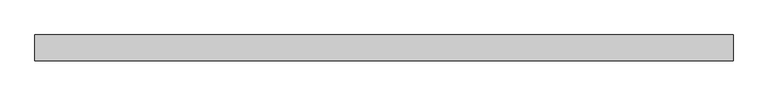
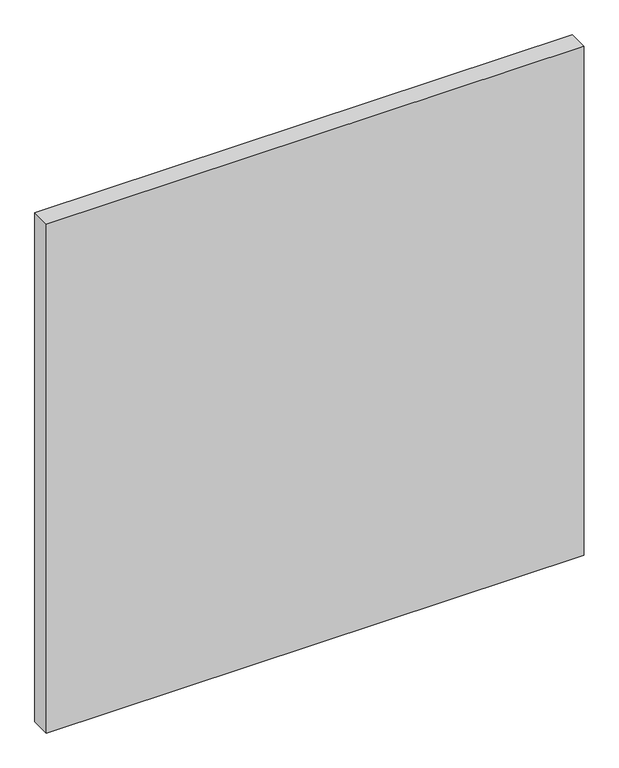
"""IFC4 building model written with IfcOpenShell, lengths in millimetres: plate geometry."""

from ifc_helpers import new_model, si_unit, origin, origin_with_axes, place, context, project, spatial, polyline, outline, extrude, source, transform, mapped, element, save


def plate_6dcf9f9e(model_context):
    return source(origin(), model_context, "Body", "SweptSolid", [
        extrude(outline(polyline([(704.453125, 26.19375), (704.453125, -26.19375), (-704.453125, -26.19375), (-704.453125, 26.19375), (704.453125, 26.19375)])), origin_with_axes(), (0.0, 0.0, 1.0), 1408.90625),
    ])


if __name__ == "__main__":
    model = new_model("IFC4")
    model_context = context("Model", 3, world=origin())
    ifc_project = project(units=[si_unit("LENGTHUNIT", "METRE", prefix="MILLI")], contexts=[model_context])
    site = spatial("IfcSite", under=ifc_project)
    building = spatial("IfcBuilding", under=site)
    placement = place(None, origin())
    plate_shape = plate_6dcf9f9e(model_context)
    element("IfcPlate", 1, at=placement, inside=building, context=model_context, shape_type="MappedRepresentation", body=[
        mapped(plate_shape, transform((0.0, 0.0, 0.0), x_axis=(1.0, 0.0, 0.0), y_axis=(0.0, 1.0, 0.0), z_axis=(0.0, 0.0, 1.0))),
    ])
    save(model, "model.ifc")
